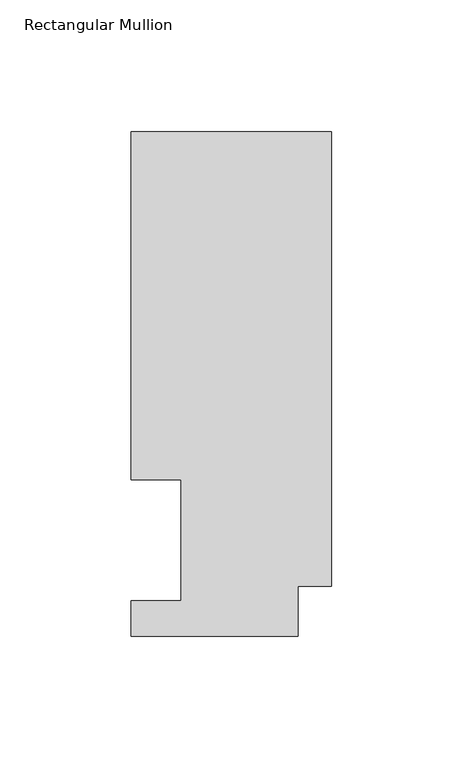
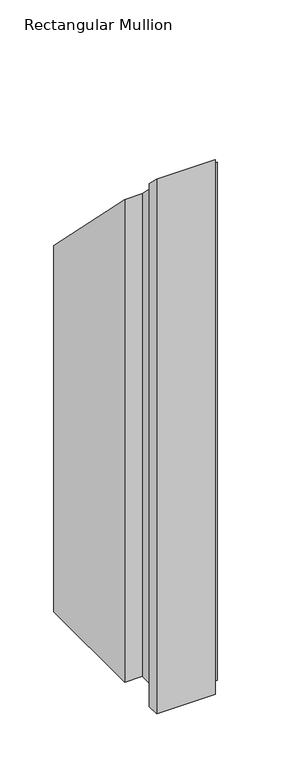
"""IFC4 building model written with IfcOpenShell, lengths in millimetres: member geometry, Rectangular Mullion."""

from ifc_helpers import new_model, si_unit, origin, place, context, project, spatial, faceted_brep, source, transform, mapped, element, save


def rectangular_mullion_3332f12a(model_context):
    return source(origin(), model_context, "Body", "Brep", [
        faceted_brep([(0.0, 192.09385, -609.6132938), (0.0, 19.06905, -609.6132938), (-12.7, 19.06905, -609.6132938), (-12.7, 0.04445, -609.6132938), (-76.2, 0.04445, -609.6132938), (-76.2, 13.50645, -609.6132938), (-57.1627, 13.50645, -609.6132938), (-57.1627, 59.53125, -609.6132938), (-76.2, 59.53125, -609.6132938), (-76.2, 192.09385, -609.6132938), (-76.2, 192.09385, -192.09385), (0.0, 192.09385, -192.09385), (-76.2, 59.53125, -59.53125), (-57.1627, 59.53125, -59.53125), (-57.1627, 13.50645, -13.50645), (-76.2, 13.50645, -13.50645), (-76.2, 0.04445, -0.04445), (-12.7, 0.04445, -0.04445), (-12.7, 19.06905, -19.06905), (0.0, 19.06905, -19.06905)], [[[0, 1, 2, 3, 4, 5, 6, 7, 8, 9]], [[10, 11, 0, 9]], [[12, 10, 9, 8]], [[13, 12, 8, 7]], [[14, 13, 7, 6]], [[15, 14, 6, 5]], [[16, 15, 5, 4]], [[17, 16, 4, 3]], [[18, 17, 3, 2]], [[19, 18, 2, 1]], [[11, 19, 1, 0]], [[11, 10, 12, 13, 14, 15, 16, 17, 18, 19]]]),
    ])


if __name__ == "__main__":
    model = new_model("IFC4")
    model_context = context("Model", 3, world=origin())
    ifc_project = project(units=[si_unit("LENGTHUNIT", "METRE", prefix="MILLI")], contexts=[model_context])
    site = spatial("IfcSite", under=ifc_project)
    building = spatial("IfcBuilding", under=site)
    placement = place(None, origin())
    rectangular_mullion_shape = rectangular_mullion_3332f12a(model_context)
    element("IfcMember", 1, ObjectType="Rectangular Mullion", at=placement, inside=building, context=model_context, shape_type="MappedRepresentation", body=[
        mapped(rectangular_mullion_shape, transform((0.0, 0.0, 0.0), x_axis=(1.0, 0.0, 0.0), y_axis=(0.0, 1.0, 0.0), z_axis=(0.0, 0.0, 1.0))),
    ])
    save(model, "model.ifc")
